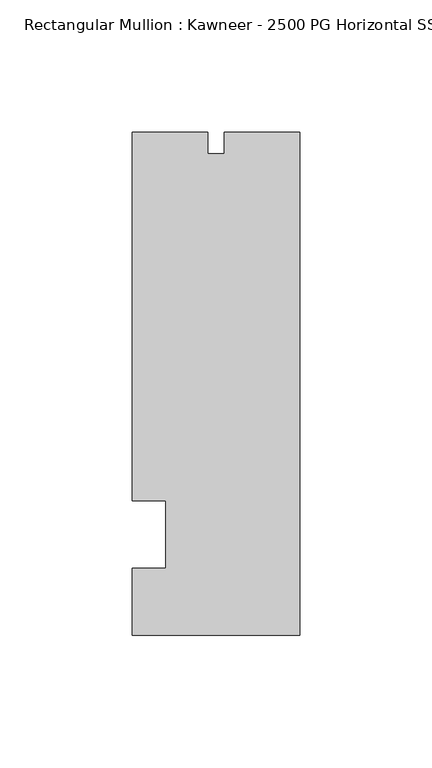
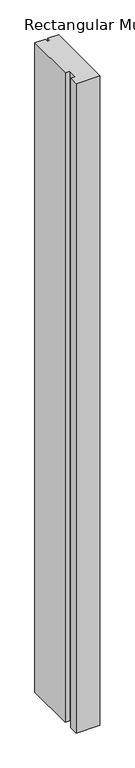
"""IFC4 building model written with IfcOpenShell, lengths in millimetres: member geometry, Rectangular Mullion : Kawneer - 2500 PG Horizontal SSG - Mullion_Jamb R."""

from ifc_helpers import new_model, si_unit, frame, origin, place, context, project, spatial, polyline, outline, extrude, source, transform, mapped, element, save


def rectangular_mullion_kawneer_2500_pg_horizontal_ssg_mullion_d2efcb3f(model_context):
    return source(origin(), model_context, "Body", "SweptSolid", [
        extrude(outline(polyline([(0.0, -95.25), (-63.5, -95.25), (-63.5, -69.85), (-50.8, -69.85), (-50.8, -44.45), (-63.5, -44.45), (-63.5, 95.25), (-34.925, 95.25), (-34.925, 86.9442), (-28.575, 86.9442), (-28.575, 95.25), (0.0, 95.25), (0.0, -95.25)])), frame((0.0, 0.0, -1837.9100657), z_axis=(0.0, 0.0, 1.0), x_axis=(1.0, 0.0, 0.0)), (0.0, 0.0, 1.0), 1837.9100657),
    ])


if __name__ == "__main__":
    model = new_model("IFC4")
    model_context = context("Model", 3, world=origin())
    ifc_project = project(units=[si_unit("LENGTHUNIT", "METRE", prefix="MILLI")], contexts=[model_context])
    site = spatial("IfcSite", under=ifc_project)
    building = spatial("IfcBuilding", under=site)
    placement = place(None, origin())
    rectangular_mullion_kawneer_2500_pg_horizontal_ssg_mullion_shape = rectangular_mullion_kawneer_2500_pg_horizontal_ssg_mullion_d2efcb3f(model_context)
    element("IfcMember", 1, ObjectType="Rectangular Mullion : Kawneer - 2500 PG Horizontal SSG - Mullion_Jamb R", at=placement, inside=building, context=model_context, shape_type="MappedRepresentation", body=[
        mapped(rectangular_mullion_kawneer_2500_pg_horizontal_ssg_mullion_shape, transform((0.0, 0.0, 0.0), x_axis=(1.0, 0.0, 0.0), y_axis=(0.0, 1.0, 0.0), z_axis=(0.0, 0.0, 1.0))),
    ])
    save(model, "model.ifc")
